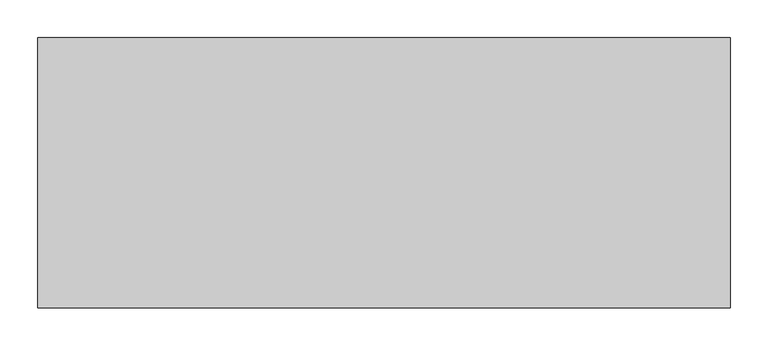
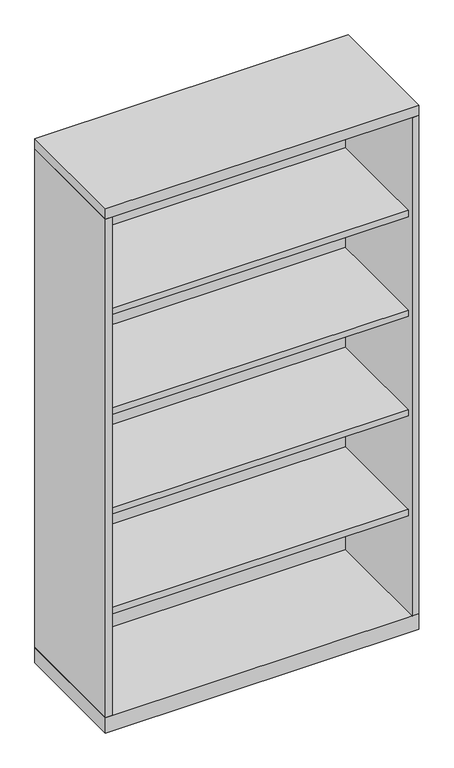
"""IFC4 building model written with IfcOpenShell, lengths in millimetres: furniture geometry."""

from ifc_helpers import new_model, si_unit, frame, origin, origin_with_axes, place, context, project, spatial, polyline, outline, extrude, source, transform, mapped, element, save


def furniture_936d35b1(model_context):
    return source(origin(), model_context, "Body", "SweptSolid", [
        extrude(outline(polyline([(436.5625, -19.05), (436.5625, -336.55), (-436.5625, -336.55), (-436.5625, -19.05), (436.5625, -19.05)])), frame((0.0, 0.0, 958.215), z_axis=(0.0, 0.0, 1.0), x_axis=(1.0, 0.0, 0.0)), (0.0, 0.0, 1.0), 19.05),
        extrude(outline(polyline([(436.5625, -19.05), (436.5625, -336.55), (-436.5625, -336.55), (-436.5625, -19.05), (436.5625, -19.05)])), frame((0.0, 0.0, 651.51), z_axis=(0.0, 0.0, 1.0), x_axis=(1.0, 0.0, 0.0)), (0.0, 0.0, 1.0), 19.05),
        extrude(outline(polyline([(436.5625, -19.05), (436.5625, -336.55), (-436.5625, -336.55), (-436.5625, -19.05), (436.5625, -19.05)])), frame((0.0, 0.0, 1264.92), z_axis=(0.0, 0.0, 1.0), x_axis=(1.0, 0.0, 0.0)), (0.0, 0.0, 1.0), 19.05),
        extrude(outline(polyline([(436.5625, -19.05), (436.5625, -336.55), (-436.5625, -336.55), (-436.5625, -19.05), (436.5625, -19.05)])), frame((0.0, 0.0, 344.805), z_axis=(0.0, 0.0, 1.0), x_axis=(1.0, 0.0, 0.0)), (0.0, 0.0, 1.0), 19.05),
        extrude(outline(polyline([(455.6125, 0.0), (455.6125, -355.6), (-455.6125, -355.6), (-455.6125, 0.0), (455.6125, 0.0)])), origin_with_axes(), (0.0, 0.0, 1.0), 47.625),
        extrude(outline(polyline([(455.6125, 0.0), (455.6125, -355.6), (-455.6125, -355.6), (-455.6125, 0.0), (455.6125, 0.0)])), frame((0.0, 0.0, 1581.15), z_axis=(0.0, 0.0, 1.0), x_axis=(1.0, 0.0, 0.0)), (0.0, 0.0, 1.0), 31.75),
        extrude(outline(polyline([(455.6125, 0.0), (455.6125, -355.6), (436.5625, -355.6), (436.5625, -19.05), (-436.5625, -19.05), (-436.5625, -355.6), (-455.6125, -355.6), (-455.6125, 0.0), (455.6125, 0.0)])), frame((0.0, 0.0, 47.625), z_axis=(0.0, 0.0, 1.0), x_axis=(1.0, 0.0, 0.0)), (0.0, 0.0, 1.0), 1533.525),
    ])


if __name__ == "__main__":
    model = new_model("IFC4")
    model_context = context("Model", 3, world=origin())
    ifc_project = project(units=[si_unit("LENGTHUNIT", "METRE", prefix="MILLI")], contexts=[model_context])
    site = spatial("IfcSite", under=ifc_project)
    building = spatial("IfcBuilding", under=site)
    placement = place(None, origin())
    furniture_shape = furniture_936d35b1(model_context)
    element("IfcFurniture", 1, at=placement, inside=building, context=model_context, shape_type="MappedRepresentation", body=[
        mapped(furniture_shape, transform((0.0, 0.0, 0.0), x_axis=(1.0, 0.0, 0.0), y_axis=(0.0, 1.0, 0.0), z_axis=(0.0, 0.0, 1.0))),
    ])
    save(model, "model.ifc")
